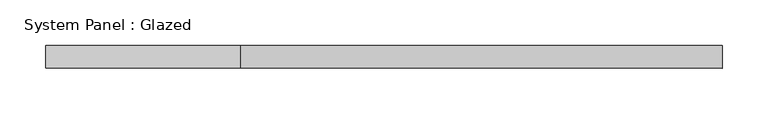
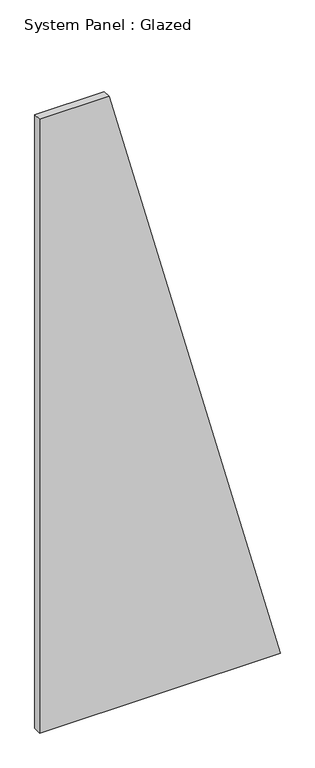
"""IFC4 building model written with IfcOpenShell, lengths in millimetres: plate geometry, System Panel : Glazed."""

from ifc_helpers import new_model, si_unit, frame, origin, place, context, project, spatial, polyline, outline, extrude, source, transform, mapped, element, save


def system_panel_glazed_d93d4ccb(model_context):
    return source(origin(), model_context, "Body", "SweptSolid", [
        extrude(outline(polyline([(0.0, -371.4285713), (0.0, 371.4285713), (2000.0, -157.1428573), (2000.0, -371.4285713), (0.0, -371.4285713)])), frame((0.0, 24.5, 0.0), z_axis=(0.0, 1.0, 0.0), x_axis=(0.0, 0.0, 1.0)), (0.0, 0.0, 1.0), 25.0),
    ])


if __name__ == "__main__":
    model = new_model("IFC4")
    model_context = context("Model", 3, world=origin())
    ifc_project = project(units=[si_unit("LENGTHUNIT", "METRE", prefix="MILLI")], contexts=[model_context])
    site = spatial("IfcSite", under=ifc_project)
    building = spatial("IfcBuilding", under=site)
    placement = place(None, origin())
    system_panel_glazed_shape = system_panel_glazed_d93d4ccb(model_context)
    element("IfcPlate", 1, ObjectType="System Panel : Glazed", at=placement, inside=building, context=model_context, shape_type="MappedRepresentation", body=[
        mapped(system_panel_glazed_shape, transform((0.0, 0.0, 0.0), x_axis=(1.0, 0.0, 0.0), y_axis=(0.0, 1.0, 0.0), z_axis=(0.0, 0.0, 1.0))),
    ])
    save(model, "model.ifc")
